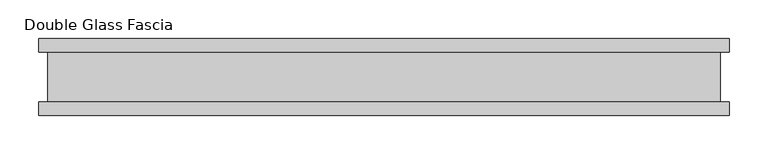
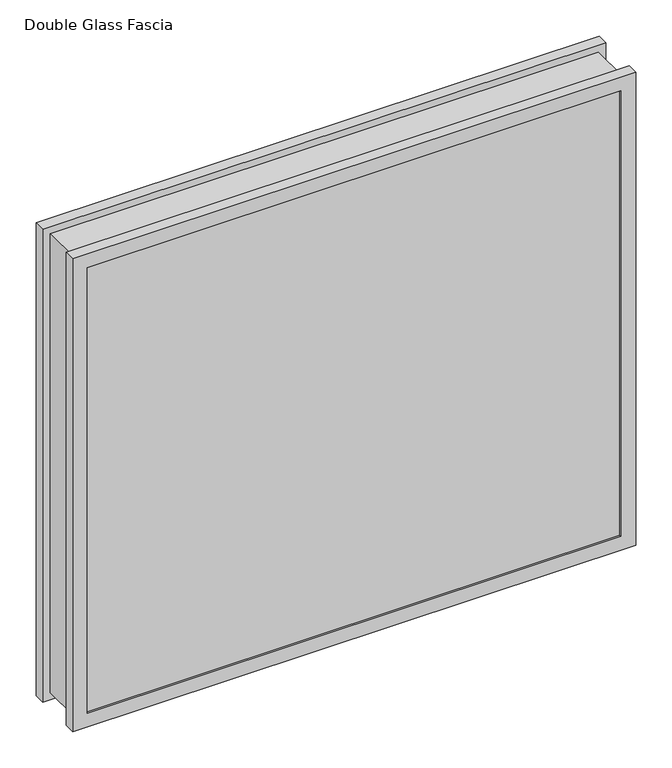
"""IFC4 building model written with IfcOpenShell, lengths in millimetres: proxy geometry, Double Glass Fascia."""

from ifc_helpers import new_model, si_unit, frame, origin, place, context, project, spatial, polyline, outline, extrude, faceted_brep, source, transform, mapped, element, save


def double_glass_fascia_7836c518(model_context):
    return source(origin(), model_context, "Body", "SolidModel", [
        faceted_brep([(436.2752011, 32.4352299, 787.400885), (436.2752011, -32.4352299, 787.400885), (436.2752011, -32.4352299, 15.0359151), (436.2752011, 32.4352299, 15.0359151), (-436.2752011, -32.4352299, 15.0359151), (-436.2752011, 32.4352299, 15.0359151), (-436.2752011, -32.4352299, 787.400885), (-436.2752011, 32.4352299, 787.400885), (425.0983162, -38.8962152, 776.2240001), (425.0983162, 38.8962152, 776.2240001), (425.0983162, 38.8962152, 26.2128), (425.0983162, -38.8962152, 26.2128), (441.8329555, -47.1322551, 792.9586393), (441.8329555, -38.8962152, 792.9586393), (441.8329555, -38.8962152, 9.4781608), (441.8329555, -47.1322551, 9.4781608), (424.9205162, -50.0558594, 776.0462001), (424.9205162, -47.1322551, 776.0462001), (424.9205162, -47.1322551, 26.3906), (424.9205162, -50.0558594, 26.3906), (448.1361162, -32.4352299, 799.2618001), (448.1361162, -50.0558594, 799.2618001), (448.1361162, -50.0558594, 3.175), (448.1361162, -32.4352299, 3.175), (-425.0983162, 38.8962152, 26.2128), (-425.0983162, -38.8962152, 26.2128), (-441.8329555, -38.8962152, 9.4781608), (-441.8329555, -47.1322551, 9.4781608), (-424.9205162, -47.1322551, 26.3906), (-424.9205162, -50.0558594, 26.3906), (-448.1361162, -50.0558594, 3.175), (-448.1361162, -32.4352299, 3.175), (-425.0983162, 38.8962152, 776.2240001), (-425.0983162, -38.8962152, 776.2240001), (-441.8329555, -38.8962152, 792.9586393), (-441.8329555, -47.1322551, 792.9586393), (-424.9205162, -47.1322551, 776.0462001), (-424.9205162, -50.0558594, 776.0462001), (-448.1361162, -50.0558594, 799.2618001), (-448.1361162, -32.4352299, 799.2618001), (448.1361162, 50.0558594, 799.2618001), (448.1361162, 32.4352299, 799.2618001), (448.1361162, 32.4352299, 3.175), (448.1361162, 50.0558594, 3.175), (425.0983162, 47.1322551, 776.2240001), (425.0983162, 50.0558594, 776.2240001), (425.0983162, 50.0558594, 26.2128), (425.0983162, 47.1322551, 26.2128), (441.8329555, 38.8962152, 792.9586393), (441.8329555, 47.1322551, 792.9586393), (441.8329555, 47.1322551, 9.4781608), (441.8329555, 38.8962152, 9.4781608), (-448.1361162, 32.4352299, 3.175), (-448.1361162, 50.0558594, 3.175), (-425.0983162, 50.0558594, 26.2128), (-425.0983162, 47.1322551, 26.2128), (-441.8329555, 47.1322551, 9.4781608), (-441.8329555, 38.8962152, 9.4781608), (-448.1361162, 32.4352299, 799.2618001), (-448.1361162, 50.0558594, 799.2618001), (-425.0983162, 50.0558594, 776.2240001), (-425.0983162, 47.1322551, 776.2240001), (-441.8329555, 47.1322551, 792.9586393), (-441.8329555, 38.8962152, 792.9586393)], [[[0, 1, 2, 3]], [[3, 2, 4, 5]], [[5, 4, 6, 7]], [[7, 6, 1, 0]], [[8, 9, 10, 11]], [[12, 13, 14, 15]], [[16, 17, 18, 19]], [[20, 21, 22, 23]], [[11, 10, 24, 25]], [[15, 14, 26, 27]], [[19, 18, 28, 29]], [[23, 22, 30, 31]], [[25, 24, 32, 33]], [[27, 26, 34, 35]], [[29, 28, 36, 37]], [[31, 30, 38, 39]], [[33, 32, 9, 8]], [[13, 34, 26, 14], [11, 25, 33, 8]], [[35, 34, 13, 12]], [[15, 27, 35, 12], [17, 36, 28, 18]], [[37, 36, 17, 16]], [[21, 38, 30, 22], [19, 29, 37, 16]], [[39, 38, 21, 20]], [[23, 31, 39, 20], [1, 6, 4, 2]], [[40, 41, 42, 43]], [[44, 45, 46, 47]], [[48, 49, 50, 51]], [[43, 42, 52, 53]], [[47, 46, 54, 55]], [[51, 50, 56, 57]], [[53, 52, 58, 59]], [[55, 54, 60, 61]], [[57, 56, 62, 63]], [[41, 58, 52, 42], [3, 5, 7, 0]], [[59, 58, 41, 40]], [[43, 53, 59, 40], [45, 60, 54, 46]], [[61, 60, 45, 44]], [[49, 62, 56, 50], [47, 55, 61, 44]], [[63, 62, 49, 48]], [[51, 57, 63, 48], [9, 32, 24, 10]]]),
        extrude(outline(polyline([(437.3111163, -40.9277344), (437.3111163, -46.8808594), (-437.3111163, -46.8808594), (-437.3111163, -40.9277344), (437.3111163, -40.9277344)])), frame((0.0, 0.0, 5.3275263), z_axis=(0.0, 0.0, 1.0), x_axis=(1.0, 0.0, 0.0)), (0.0, 0.0, 1.0), 791.2877281),
        extrude(outline(polyline([(437.3111163, 41.1791301), (-437.3111163, 41.1791301), (-437.3111163, 47.1322551), (437.3111163, 47.1322551), (437.3111163, 41.1791301)])), frame((0.0, 0.0, 5.3275263), z_axis=(0.0, 0.0, 1.0), x_axis=(1.0, 0.0, 0.0)), (0.0, 0.0, 1.0), 791.2877281),
    ])


if __name__ == "__main__":
    model = new_model("IFC4")
    model_context = context("Model", 3, world=origin())
    ifc_project = project(units=[si_unit("LENGTHUNIT", "METRE", prefix="MILLI")], contexts=[model_context])
    site = spatial("IfcSite", under=ifc_project)
    building = spatial("IfcBuilding", under=site)
    placement = place(None, origin())
    double_glass_fascia_shape = double_glass_fascia_7836c518(model_context)
    element("IfcBuildingElementProxy", 1, Name="Double Glass Fascia", ObjectType="Double Glass Fascia", at=placement, inside=building, context=model_context, shape_type="MappedRepresentation", body=[
        mapped(double_glass_fascia_shape, transform((0.0, 0.0, 0.0), x_axis=(1.0, 0.0, 0.0), y_axis=(0.0, 1.0, 0.0), z_axis=(0.0, 0.0, 1.0))),
    ])
    save(model, "model.ifc")
